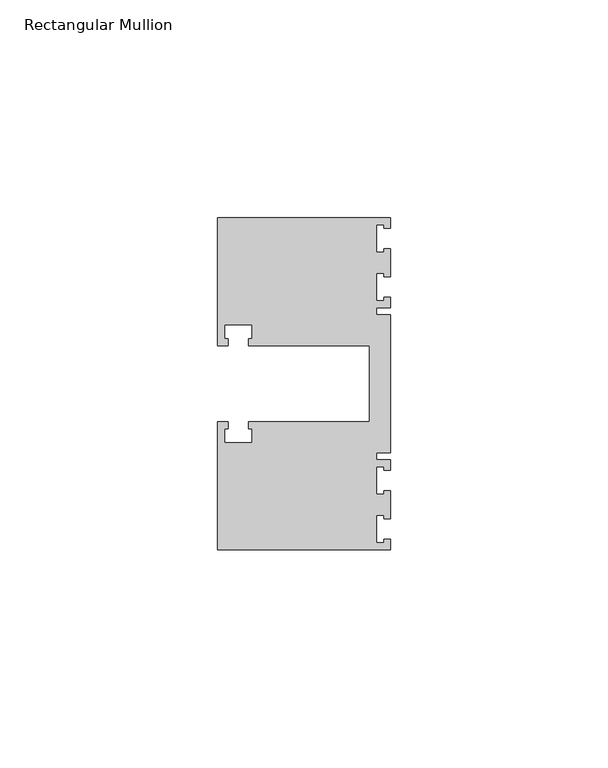
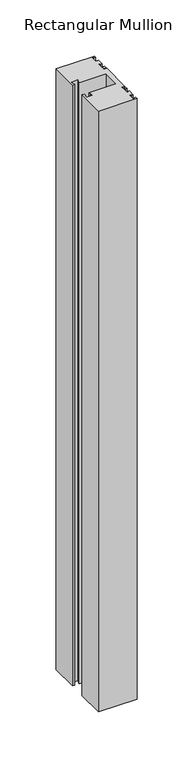
"""IFC4 building model written with IfcOpenShell, lengths in millimetres: member geometry, Rectangular Mullion."""

from ifc_helpers import new_model, si_unit, frame, origin, place, context, project, spatial, polyline, outline, extrude, source, transform, mapped, element, save


def rectangular_mullion_09666bb3(model_context):
    return source(origin(), model_context, "Body", "SweptSolid", [
        extrude(outline(polyline([(0.0, 38.1), (0.0, 35.71875), (-1.4999946, 35.71875), (-1.4999946, 36.5125), (-3.175, 36.5125), (-3.175, 30.1625), (-1.4999946, 30.1625), (-1.4999946, 30.95625), (0.0, 30.95625), (0.0, 24.60625), (-1.4999946, 24.60625), (-1.4999946, 25.4), (-3.175, 25.4), (-3.175, 19.05), (-1.4999946, 19.05), (-1.4999946, 19.84375), (0.0, 19.84375), (0.0, 17.4625), (-3.175, 17.4625), (-3.175, 15.875), (0.0, 15.875), (0.0, -15.875), (-3.175, -15.875), (-3.175, -17.4625), (0.0, -17.4625), (0.0, -19.84375), (-1.4999946, -19.84375), (-1.4999946, -19.05), (-3.175, -19.05), (-3.175, -25.4), (-1.4999946, -25.4), (-1.4999946, -24.60625), (0.0, -24.60625), (0.0, -30.95625), (-1.4999946, -30.95625), (-1.4999946, -30.1625), (-3.175, -30.1625), (-3.175, -36.5125), (-1.4999946, -36.5125), (-1.4999946, -35.71875), (0.0, -35.71875), (0.0, -38.1), (-39.6875, -38.1), (-39.6875, -8.73125), (-37.30625, -8.73125), (-37.30625, -10.31875), (-38.1, -10.31875), (-38.1, -13.49375), (-31.75, -13.49375), (-31.75, -10.31875), (-32.54375, -10.31875), (-32.54375, -8.73125), (-4.8585733, -8.73125), (-4.8585733, 8.73125), (-32.54375, 8.73125), (-32.54375, 10.31875), (-31.75, 10.31875), (-31.75, 13.49375), (-38.1, 13.49375), (-38.1, 10.31875), (-37.30625, 10.31875), (-37.30625, 8.73125), (-39.6875, 8.73125), (-39.6875, 38.1), (0.0, 38.1)])), frame((0.0, 0.0, -654.05), z_axis=(0.0, 0.0, 1.0), x_axis=(1.0, 0.0, 0.0)), (0.0, 0.0, 1.0), 654.05),
    ])


if __name__ == "__main__":
    model = new_model("IFC4")
    model_context = context("Model", 3, world=origin())
    ifc_project = project(units=[si_unit("LENGTHUNIT", "METRE", prefix="MILLI")], contexts=[model_context])
    site = spatial("IfcSite", under=ifc_project)
    building = spatial("IfcBuilding", under=site)
    placement = place(None, origin())
    rectangular_mullion_shape = rectangular_mullion_09666bb3(model_context)
    element("IfcMember", 1, ObjectType="Rectangular Mullion", at=placement, inside=building, context=model_context, shape_type="MappedRepresentation", body=[
        mapped(rectangular_mullion_shape, transform((0.0, 0.0, 0.0), x_axis=(1.0, 0.0, 0.0), y_axis=(0.0, 1.0, 0.0), z_axis=(0.0, 0.0, 1.0))),
    ])
    save(model, "model.ifc")
